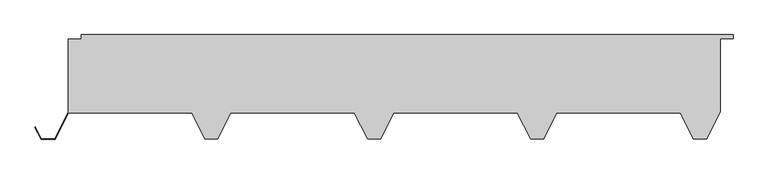
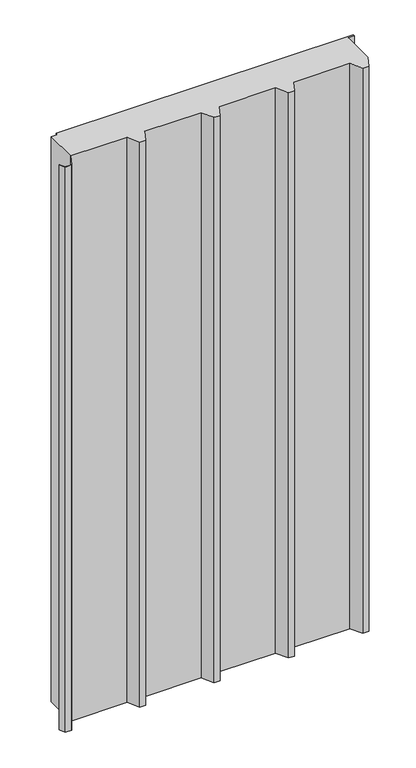
"""IFC4 building model written with IfcOpenShell, lengths in millimetres: plate geometry."""

from ifc_helpers import new_model, si_unit, origin, origin_with_axes, place, context, project, spatial, polyline, outline, extrude, source, transform, mapped, element, save


def plate_2bb597e0(model_context):
    return source(origin(), model_context, "Body", "SweptSolid", [
        extrude(outline(polyline([(479.2444272, -160.0), (459.2444272, -160.0), (439.2444272, -120.0), (249.2444272, -120.0), (229.2444272, -160.0), (209.2444272, -160.0), (189.2444272, -120.0), (-0.7555728, -120.0), (-20.7555728, -160.0), (-40.7555728, -160.0), (-60.7555728, -120.0), (-250.7555728, -120.0), (-270.7555728, -160.0), (-290.7555728, -160.0), (-310.7555728, -120.0), (-499.5055728, -120.0), (-520.0055728, -161.0), (-541.5055728, -161.0), (-550.9818107, -142.0475242), (-550.266269, -141.6897533), (-541.0111456, -160.2), (-520.5, -160.2), (-500.0, -119.2), (-500.0, -6.496736), (-480.0, -6.496736), (-480.0, 0.0), (520.0, 0.0), (520.0, -6.0), (500.0, -6.0), (500.0, -118.4888544), (479.2444272, -160.0)])), origin_with_axes(), (0.0, 0.0, 1.0), 2007.6396751),
    ])


if __name__ == "__main__":
    model = new_model("IFC4")
    model_context = context("Model", 3, world=origin())
    ifc_project = project(units=[si_unit("LENGTHUNIT", "METRE", prefix="MILLI")], contexts=[model_context])
    site = spatial("IfcSite", under=ifc_project)
    building = spatial("IfcBuilding", under=site)
    placement = place(None, origin())
    plate_shape = plate_2bb597e0(model_context)
    element("IfcPlate", 1, at=placement, inside=building, context=model_context, shape_type="MappedRepresentation", body=[
        mapped(plate_shape, transform((0.0, 0.0, 0.0), x_axis=(1.0, 0.0, 0.0), y_axis=(0.0, 1.0, 0.0), z_axis=(0.0, 0.0, 1.0))),
    ])
    save(model, "model.ifc")
